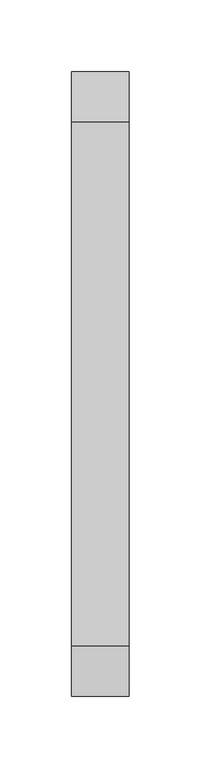
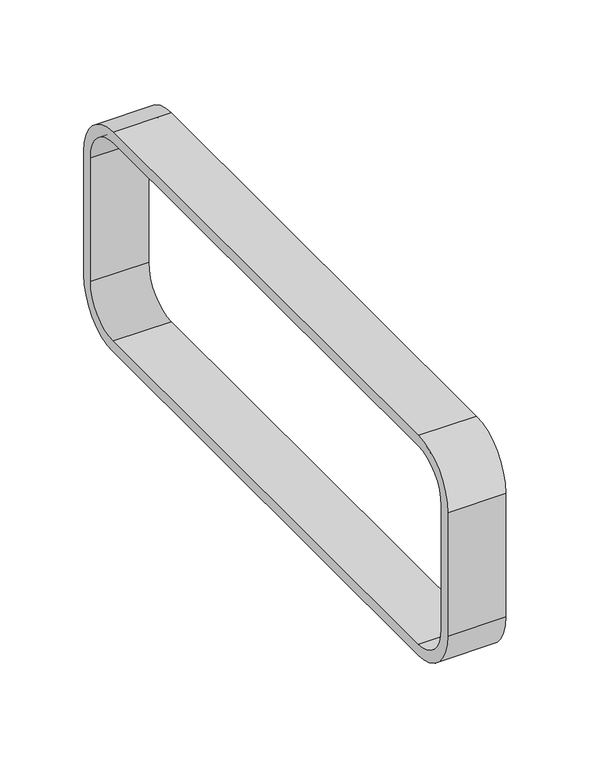
"""IFC4 building model written with IfcOpenShell, lengths in millimetres: furniture geometry."""

from ifc_helpers import new_model, si_unit, point, frame, frame_2d, origin, place, context, project, spatial, polyline, circle_curve, trimmed, segment, composite_curve, outline, extrude, source, transform, mapped, element, save


def furniture_d7d1796f(model_context):
    return source(origin(), model_context, "Body", "SweptSolid", [
        extrude(outline(composite_curve([segment(trimmed(circle_curve(frame_2d((182.0, 570.0)), 35.0), [point((182.0, 605.0))], [point((217.0, 570.0))], False, "CARTESIAN"), True, "CONTINUOUS"), segment(polyline([(217.0, 570.0), (217.0, 480.0)]), True, "CONTINUOUS"), segment(trimmed(circle_curve(frame_2d((182.0, 480.0)), 35.0), [point((217.0, 480.0))], [point((182.0, 445.0))], False, "CARTESIAN"), True, "CONTINUOUS"), segment(polyline([(182.0, 445.0), (-182.0, 445.0)]), True, "CONTINUOUS"), segment(trimmed(circle_curve(frame_2d((-182.0, 480.0)), 35.0), [point((-182.0, 445.0))], [point((-217.0, 480.0))], False, "CARTESIAN"), True, "CONTINUOUS"), segment(polyline([(-217.0, 480.0), (-217.0, 570.0)]), True, "CONTINUOUS"), segment(trimmed(circle_curve(frame_2d((-182.0, 570.0)), 35.0), [point((-217.0, 570.0))], [point((-182.0, 605.0))], False, "CARTESIAN"), True, "CONTINUOUS"), segment(polyline([(-182.0, 605.0), (182.0, 605.0)]), True, "CONTINUOUS")], self_intersect=False), holes=[composite_curve([segment(trimmed(circle_curve(frame_2d((-182.0, 570.0)), 27.0), [point((-182.0, 597.0))], [point((-209.0, 570.0))], True, "CARTESIAN"), True, "CONTINUOUS"), segment(polyline([(-209.0, 570.0), (-209.0, 480.0)]), True, "CONTINUOUS"), segment(trimmed(circle_curve(frame_2d((-182.0, 480.0)), 27.0), [point((-209.0, 480.0))], [point((-182.0, 453.0))], True, "CARTESIAN"), True, "CONTINUOUS"), segment(polyline([(-182.0, 453.0), (182.0, 453.0)]), True, "CONTINUOUS"), segment(trimmed(circle_curve(frame_2d((182.0, 480.0)), 27.0), [point((182.0, 453.0))], [point((209.0, 480.0))], True, "CARTESIAN"), True, "CONTINUOUS"), segment(polyline([(209.0, 480.0), (209.0, 570.0)]), True, "CONTINUOUS"), segment(trimmed(circle_curve(frame_2d((182.0, 570.0)), 27.0), [point((209.0, 570.0))], [point((182.0, 597.0))], True, "CARTESIAN"), True, "CONTINUOUS"), segment(polyline([(182.0, 597.0), (-182.0, 597.0)]), True, "CONTINUOUS")], self_intersect=False)]), frame((-858.95, 0.0, 0.0), z_axis=(1.0, 0.0, 0.0), x_axis=(0.0, 1.0, 0.0)), (0.0, 0.0, 1.0), 40.0),
    ])


if __name__ == "__main__":
    model = new_model("IFC4")
    model_context = context("Model", 3, world=origin())
    ifc_project = project(units=[si_unit("LENGTHUNIT", "METRE", prefix="MILLI")], contexts=[model_context])
    site = spatial("IfcSite", under=ifc_project)
    building = spatial("IfcBuilding", under=site)
    placement = place(None, origin())
    furniture_shape = furniture_d7d1796f(model_context)
    element("IfcFurniture", 1, at=placement, inside=building, context=model_context, shape_type="MappedRepresentation", body=[
        mapped(furniture_shape, transform((0.0, 0.0, 0.0), x_axis=(1.0, 0.0, 0.0), y_axis=(0.0, 1.0, 0.0), z_axis=(0.0, 0.0, 1.0))),
    ])
    save(model, "model.ifc")
